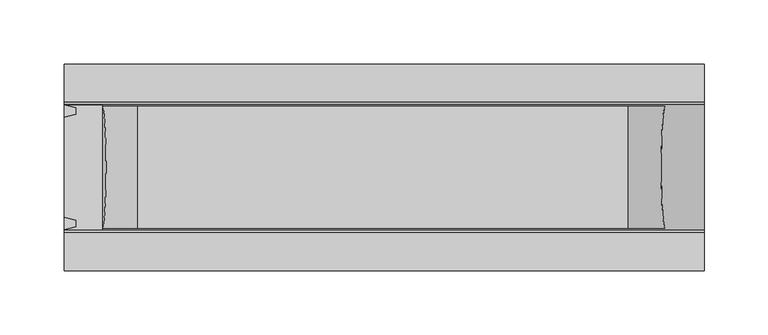
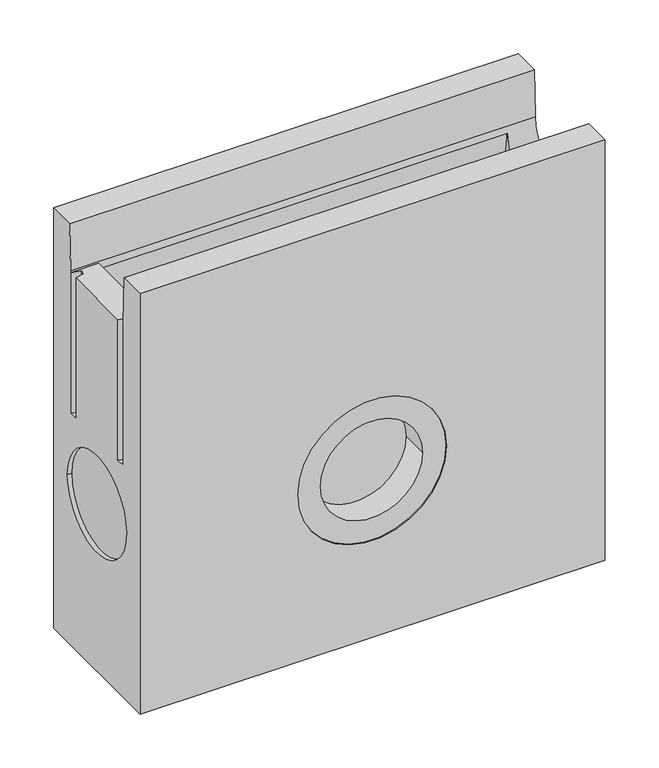
"""IFC4 building model written with IfcOpenShell, lengths in millimetres: proxy geometry."""

from ifc_helpers import new_model, si_unit, frame, origin, place, context, project, spatial, polyline, circle_curve, ellipse_curve, source, transform, mapped, element, save
from ifc_brep_helpers import plane_surface, revolved_surface, advanced_brep


def generic_models_8f83756d(model_context):
    return source(origin(), model_context, "Body", "AdvancedBrep", [
        advanced_brep(
        [(500.0, 80.7105057, -478.0), (500.0, 80.7105057, 0.0), (500.0, 50.7105057, 0.0), (500.0, 48.9733157, -52.6168943), (500.0, -48.9733157, -52.6168943), (500.0, -50.7105057, 0.0), (500.0, -80.8125078, 0.0), (500.0, -80.8125078, -478.0), (5.0, -55.0, -288.0), (5.0, 55.0, -288.0), (0.0, 55.0, -288.0), (0.0, -55.0, -288.0), (440.5, 49.3918172, -449.4827085), (57.5, 49.3918172, -449.4827085), (57.5, -49.3918172, -449.4827085), (440.5, -49.3918172, -449.4827085), (469.5, -49.3918172, -60.0080827), (30.0, -49.3918172, -60.0080827), (30.0, -48.1648673, -60.0080827), (469.5, -48.1648673, -60.0080827), (30.0, 49.3918172, -60.0080827), (469.5, 49.3918172, -60.0080827), (469.5, 48.1648673, -60.0080827), (30.0, 48.1648673, -60.0080827), (194.5, -49.3918172, -288.0), (304.5, -49.3918172, -288.0), (30.0, 48.8735836, -54.5175031), (30.0, -48.8735836, -54.5175031), (0.0, 80.7105057, -478.0), (0.0, -80.8125078, -478.0), (0.0, -80.8125078, 0.0), (0.0, -50.7105057, 0.0), (0.0, -48.9733157, -52.6168943), (0.0, -48.8735836, -54.5175031), (0.0, -48.8735836, -214.5), (0.0, -39.0351457, -214.5), (0.0, -39.0351457, -54.5175031), (0.0, 39.0351457, -54.5175031), (0.0, 39.0351457, -214.5), (0.0, 48.8735836, -214.5), (0.0, 48.8735836, -54.5), (0.0, 48.9733157, -52.6168943), (0.0, 50.7105057, 0.0), (0.0, 80.7105057, 0.0), (329.5, -80.8125078, -288.0), (169.5, -80.8125078, -288.0), (9.7029573, -41.4543646, -54.5175031), (9.7029573, -46.4543646, -54.5175031), (9.7029573, 46.4543646, -54.5175031), (9.7029573, 41.4543646, -54.5175031), (194.5, -79.5351946, -288.0), (304.5, -79.5351946, -288.0), (169.5, -79.5351946, -288.0), (329.5, -79.5351946, -288.0), (9.7029573, 46.4543646, -214.5), (9.7029573, 41.4543646, -214.5), (9.7029573, -41.4543646, -214.5), (9.7029573, -46.4543646, -214.5)],
        [
            (0, 1),
            (1, 2),
            (2, 3),
            (3, 4, circle_curve(frame((500.0, 0.0, -51.0), z_axis=(-1.0, 0.0, 0.0), x_axis=(0.0, 1.0, 0.0)), 49.0)),
            (4, 5),
            (5, 6),
            (6, 7),
            (7, 0),
            (8, 9, circle_curve(frame((5.0, 0.0, -288.0), z_axis=(-1.0, 0.0, 0.0), x_axis=(0.0, 1.0, 0.0)), 55.0)),
            (9, 8, circle_curve(frame((5.0, 0.0, -288.0), z_axis=(-1.0, 0.0, 0.0), x_axis=(0.0, 1.0, 0.0)), 55.0)),
            (9, 10),
            (10, 11, circle_curve(frame((0.0, 0.0, -288.0), z_axis=(-1.0, 0.0, 0.0), x_axis=(0.0, 1.0, 0.0)), 55.0)),
            (11, 8),
            (11, 10, circle_curve(frame((0.0, 0.0, -288.0), z_axis=(-1.0, 0.0, 0.0), x_axis=(0.0, 1.0, 0.0)), 55.0)),
            (12, 13),
            (13, 14),
            (14, 15),
            (15, 12),
            (16, 17),
            (17, 18),
            (18, 19),
            (19, 16),
            (20, 21),
            (21, 22),
            (22, 23),
            (23, 20),
            (12, 21),
            (20, 13),
            (23, 18, ellipse_curve(frame((29.3639579, 0.0, -51.0), z_axis=(-0.9975165416640586, 0.0, -0.07043258554516263), x_axis=(-0.07043258554516064, 0.0, 0.9975165416640586)), 49.1219924, 49.0)),
            (17, 14),
            (16, 15),
            (24, 25, circle_curve(frame((249.5, -49.3918172, -288.0), z_axis=(0.0, -1.0, 0.0), x_axis=(1.0, 0.0, 0.0)), 55.0)),
            (25, 24, circle_curve(frame((249.5, -49.3918172, -288.0), z_axis=(0.0, -1.0, 0.0), x_axis=(1.0, 0.0, 0.0)), 55.0)),
            (19, 22, ellipse_curve(frame((470.1707354, 0.0, -51.0), z_axis=(0.9972393815954562, 0.0, -0.07425372579953245), x_axis=(-0.07425372579953048, 0.0, -0.9972393815954563)), 49.1356448, 49.0)),
            (26, 27),
            (27, 18, circle_curve(frame((30.0, 0.0, -51.0), z_axis=(1.0, 0.0, 0.0), x_axis=(0.0, 1.0, 0.0)), 49.0)),
            (18, 23, circle_curve(frame((30.0, 0.0, -51.0), z_axis=(1.0, 0.0, 0.0), x_axis=(0.0, 1.0, 0.0)), 49.0)),
            (23, 26, circle_curve(frame((30.0, 0.0, -51.0), z_axis=(1.0, 0.0, 0.0), x_axis=(0.0, 1.0, 0.0)), 49.0)),
            (28, 29),
            (29, 30),
            (30, 31),
            (31, 32),
            (32, 33, circle_curve(frame((0.0, 0.0, -51.0), z_axis=(1.0, 0.0, 0.0), x_axis=(0.0, 1.0, 0.0)), 49.0)),
            (33, 34),
            (34, 35),
            (35, 36),
            (36, 37),
            (37, 38),
            (38, 39),
            (39, 40),
            (40, 41, circle_curve(frame((0.0, 0.0, -51.0), z_axis=(1.0, 0.0, 0.0), x_axis=(0.0, 1.0, 0.0)), 49.0)),
            (41, 42),
            (42, 43),
            (43, 28),
            (6, 30),
            (29, 7),
            (44, 45, circle_curve(frame((249.5, -80.8125078, -288.0), z_axis=(0.0, 1.0, 0.0), x_axis=(1.0, 0.0, 0.0)), 80.0)),
            (45, 44, circle_curve(frame((249.5, -80.8125078, -288.0), z_axis=(0.0, 1.0, 0.0), x_axis=(1.0, 0.0, 0.0)), 80.0)),
            (28, 0),
            (43, 1),
            (36, 46),
            (46, 47),
            (47, 33),
            (33, 27),
            (26, 40),
            (40, 48),
            (48, 49),
            (49, 37),
            (24, 50),
            (50, 51, circle_curve(frame((249.5, -79.5351946, -288.0), z_axis=(0.0, -1.0, 0.0), x_axis=(1.0, 0.0, 0.0)), 55.0)),
            (51, 25),
            (51, 50, circle_curve(frame((249.5, -79.5351946, -288.0), z_axis=(0.0, -1.0, 0.0), x_axis=(1.0, 0.0, 0.0)), 55.0)),
            (52, 53, circle_curve(frame((249.5, -79.5351946, -288.0), z_axis=(0.0, -1.0, 0.0), x_axis=(1.0, 0.0, 0.0)), 80.0)),
            (53, 52, circle_curve(frame((249.5, -79.5351946, -288.0), z_axis=(0.0, -1.0, 0.0), x_axis=(1.0, 0.0, 0.0)), 80.0)),
            (52, 45),
            (44, 53),
            (42, 2),
            (41, 3),
            (32, 4),
            (31, 5),
            (39, 54),
            (54, 48),
            (49, 55),
            (55, 38),
            (54, 55),
            (35, 56),
            (56, 46),
            (47, 57),
            (57, 34),
            (56, 57),
        ],
        [
            plane_surface(frame((500.0, 80.7105057, -31.1821489), z_axis=(1.0, 0.0, 0.0), x_axis=(0.0, 0.0, 1.0))),
            plane_surface(frame((5.0, 55.0, -288.0), z_axis=(-1.0, 0.0, 0.0), x_axis=(0.0, 0.0, 1.0))),
            revolved_surface(polyline([(5.0, 55.0, -288.0), (0.0, 55.0, -288.0)]), (0.0, 0.0, -288.0), (1.0, 0.0, 0.0)),
            plane_surface(frame((249.0, 0.0, -449.4827085), z_axis=(0.0, 0.0, 1.0), x_axis=(-1.0, 0.0, 0.0))),
            plane_surface(frame((249.75, 0.0, -60.0080827), z_axis=(0.0, 0.0, -1.0), x_axis=(-1.0, 0.0, 0.0))),
            plane_surface(frame((249.75, 49.3918172, -60.0080827), z_axis=(0.0, -1.0, 0.0), x_axis=(1.0, 0.0, 0.0))),
            plane_surface(frame((30.0, 0.0, -60.0080827), z_axis=(0.9975165416640586, 0.0, 0.07043258554516263), x_axis=(0.0, 1.0, 0.0))),
            plane_surface(frame((249.75, -49.3918172, -60.0080827), z_axis=(0.0, 1.0, 0.0), x_axis=(-1.0, 0.0, 0.0))),
            plane_surface(frame((469.5, 0.0, -60.0080827), z_axis=(-0.9972393815954562, 0.0, 0.07425372579953245), x_axis=(0.0, -1.0, 0.0))),
            plane_surface(frame((30.0, -80.8125078, -31.4165858), z_axis=(1.0, 0.0, 0.0), x_axis=(0.0, 0.0, -1.0))),
            plane_surface(frame((0.0, -80.8125078, -31.4165858), z_axis=(-1.0, 0.0, 0.0), x_axis=(0.0, 0.0, 1.0))),
            plane_surface(frame((30.0, -80.8125078, -54.5175031), z_axis=(0.0, -1.0, 0.0), x_axis=(-1.0, 0.0, 0.0))),
            plane_surface(frame((30.0, -80.8125078, -478.0), z_axis=(0.0, 0.0, -1.0), x_axis=(-1.0, 0.0, 0.0))),
            plane_surface(frame((30.0, 80.7105057, -478.0), z_axis=(0.0, 1.0, 0.0), x_axis=(-1.0, 0.0, 0.0))),
            plane_surface(frame((30.0, 74.738194, -54.5175031), z_axis=(0.0, 0.0, 1.0), x_axis=(-1.0, 0.0, 0.0))),
            revolved_surface(polyline([(304.5, -79.5351946, -288.0), (304.5, -49.3918172, -288.0)]), (249.5, 0.0, -288.0), (0.0, -1.0, 0.0)),
            plane_surface(frame((329.5, -79.5351946, -288.0), z_axis=(0.0, -1.0, 0.0), x_axis=(0.0, 0.0, -1.0))),
            revolved_surface(polyline([(329.5, -80.8125078, -288.0), (329.5, -79.5351946, -288.0)]), (249.5, -79.5351946, -288.0), (0.0, -1.0, 0.0)),
            plane_surface(frame((500.0, 80.7105057, 0.0), z_axis=(0.0, 0.0, 1.0), x_axis=(-1.0, 0.0, 0.0))),
            plane_surface(frame((500.0, 50.7105057, 0.0), z_axis=(0.0, -0.9994554229281316, 0.032997842043831056), x_axis=(-1.0, 0.0, 0.0))),
            revolved_surface(polyline([(0.0, 49.0, -51.0), (500.0, 49.0, -51.0)]), (0.0, 0.0, -51.0), (-1.0, 0.0, 0.0)),
            revolved_surface(polyline([(25.90416896813827, 49.0, -51.0), (32.82374683186173, 49.0, -51.0)]), (0.0, 0.0, -51.0), (-1.0, 0.0, 0.0)),
            plane_surface(frame((500.0, -48.9733157, -52.6168943), z_axis=(0.0, 0.9994554229281317, 0.0329978420438274), x_axis=(-1.0, 0.0, 0.0))),
            plane_surface(frame((500.0, -50.7105057, 0.0), z_axis=(0.0, 0.0, 1.0), x_axis=(-1.0, 0.0, 0.0))),
            plane_surface(frame((9.7029573, 46.4543646, -54.5), z_axis=(-0.24192189559967048, -0.9702957262759958, 0.0), x_axis=(0.0, 0.0, -1.0))),
            plane_surface(frame((0.0, 39.0351457, -54.5), z_axis=(-0.24192189559966554, 0.970295726275997, 0.0), x_axis=(0.0, 0.0, -1.0))),
            plane_surface(frame((9.7029573, 41.4543646, -54.5), z_axis=(-1.0, 0.0, 0.0), x_axis=(0.0, 0.0, -1.0))),
            plane_surface(frame((9.7029573, -41.4543646, -54.5), z_axis=(-0.24192189559967048, -0.9702957262759958, 0.0), x_axis=(0.0, 0.0, -1.0))),
            plane_surface(frame((0.0, -48.8735836, -54.5), z_axis=(-0.24192189559966554, 0.970295726275997, 0.0), x_axis=(0.0, 0.0, -1.0))),
            plane_surface(frame((9.7029573, -46.4543646, -54.5), z_axis=(-1.0, 0.0, 0.0), x_axis=(0.0, 0.0, -1.0))),
            plane_surface(frame((0.0, 48.8735836, -214.5), z_axis=(0.0, 0.0, 1.0), x_axis=(0.9702957262759958, -0.24192189559967053, 0.0))),
        ],
        [
            (0, [[1, 2, 3, 4, 5, 6, 7, 8]]),
            (1, [[9, 10]]),
            (2, [[-10, 11, 12, 13]]),
            (2, [[-9, -13, 14, -11]]),
            (3, [[15, 16, 17, 18]]),
            (4, [[19, 20, 21, 22]]),
            (4, [[23, 24, 25, 26]]),
            (5, [[-15, 27, -23, 28]]),
            (6, [[-16, -28, -26, 29, -20, 30]]),
            (7, [[-17, -30, -19, 31], [32, 33]]),
            (8, [[-18, -31, -22, 34, -24, -27]]),
            (9, [[35, 36, 37, 38]]),
            (10, [[39, 40, 41, 42, 43, 44, 45, 46, 47, 48, 49, 50, 51, 52, 53, 54], [-12, -14]]),
            (11, [[-7, 55, -40, 56], [57, 58]]),
            (12, [[-39, 59, -8, -56]]),
            (13, [[-1, -59, -54, 60]]),
            (14, [[-47, 61, 62, 63, 64, -35, 65, 66, 67, 68]]),
            (15, [[-32, 69, 70, 71]]),
            (15, [[-33, -71, 72, -69]]),
            (16, [[73, 74], [-70, -72]]),
            (17, [[-73, 75, -57, 76]]),
            (17, [[-74, -76, -58, -75]]),
            (18, [[-2, -60, -53, 77]]),
            (19, [[-3, -77, -52, 78]]),
            (20, [[-4, -78, -51, -65, -38, -25, -34, -21, -36, -64, -43, 79]]),
            (21, [[-37, -29]]),
            (22, [[-5, -79, -42, 80]]),
            (23, [[-6, -80, -41, -55]]),
            (24, [[-66, -50, 81, 82]]),
            (25, [[-68, 83, 84, -48]]),
            (26, [[-83, -67, -82, 85]]),
            (27, [[-61, -46, 86, 87]]),
            (28, [[-63, 88, 89, -44]]),
            (29, [[-88, -62, -87, 90]]),
            (30, [[-81, -49, -84, -85]]),
            (30, [[-86, -45, -89, -90]]),
        ],
    ),
    ])


if __name__ == "__main__":
    model = new_model("IFC4")
    model_context = context("Model", 3, world=origin())
    ifc_project = project(units=[si_unit("LENGTHUNIT", "METRE", prefix="MILLI")], contexts=[model_context])
    site = spatial("IfcSite", under=ifc_project)
    building = spatial("IfcBuilding", under=site)
    placement = place(None, origin())
    generic_models_shape = generic_models_8f83756d(model_context)
    element("IfcBuildingElementProxy", 1, Name="Generic Models", at=placement, inside=building, context=model_context, shape_type="MappedRepresentation", body=[
        mapped(generic_models_shape, transform((0.0, 0.0, 0.0), x_axis=(1.0, 0.0, 0.0), y_axis=(0.0, 1.0, 0.0), z_axis=(0.0, 0.0, 1.0))),
    ])
    save(model, "model.ifc")
